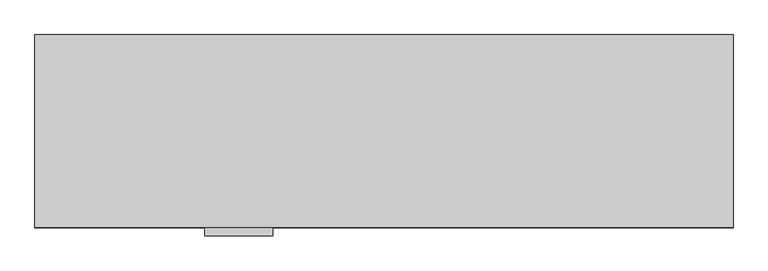
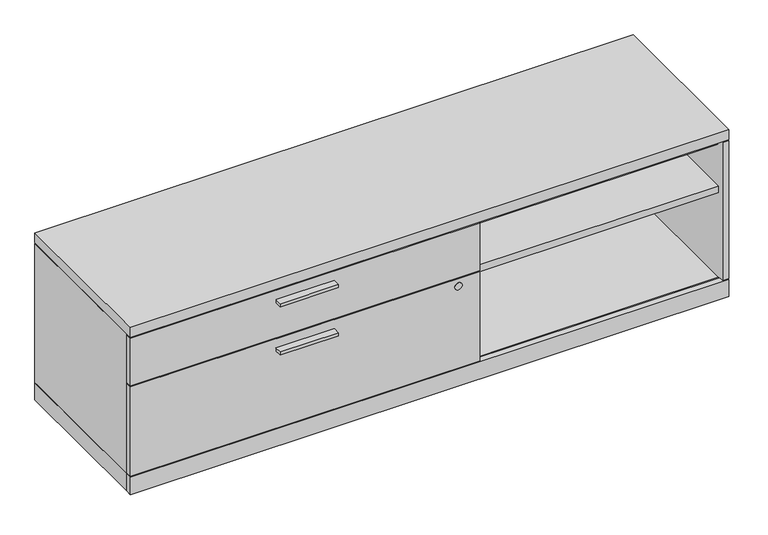
"""IFC4 building model written with IfcOpenShell, lengths in millimetres: furniture geometry."""

from ifc_helpers import new_model, si_unit, point, frame, frame_2d, origin, origin_with_axes, place, context, project, spatial, polyline, circle_curve, trimmed, segment, composite_curve, outline, extrude, faceted_brep, source, transform, mapped, element, save


def furniture_b8fcafae(model_context):
    return source(origin(), model_context, "Body", "SolidModel", [
        extrude(outline(polyline([(623.09375, -528.574), (445.29375, -528.574), (445.29375, -506.349), (623.09375, -506.349), (623.09375, -528.574)])), frame((0.0, 0.0, 312.1914), z_axis=(0.0, 0.0, 1.0), x_axis=(1.0, 0.0, 0.0)), (0.0, 0.0, 1.0), 9.525),
        extrude(outline(polyline([(623.09375, -528.574), (445.29375, -528.574), (445.29375, -506.349), (623.09375, -506.349), (623.09375, -528.574)])), frame((0.0, 0.0, 468.1474), z_axis=(0.0, 0.0, 1.0), x_axis=(1.0, 0.0, 0.0)), (0.0, 0.0, 1.0), 9.525),
        extrude(outline(polyline([(1827.2125, -1.524), (1827.2125, -483.2858), (1.5875, -483.2858), (1.5875, -1.524), (1827.2125, -1.524)])), frame((0.0, 0.0, 3.5814), z_axis=(0.0, 0.0, 1.0), x_axis=(1.0, 0.0, 0.0)), (0.0, 0.0, 1.0), 55.1688),
        extrude(outline(polyline([(1827.2125, -487.045), (1827.2125, -506.349), (1.5875, -506.349), (1.5875, -487.045), (1827.2125, -487.045)])), frame((0.0, 0.0, 3.5814), z_axis=(0.0, 0.0, 1.0), x_axis=(1.0, 0.0, 0.0)), (0.0, 0.0, 1.0), 55.1688),
        extrude(outline(polyline([(1069.0098, -20.828), (1807.9085, -20.828), (1807.9085, -483.2858), (1069.0098, -483.2858), (1069.0098, -20.828)])), frame((0.0, 0.0, 331.4446), z_axis=(0.0, 0.0, 1.0), x_axis=(1.0, 0.0, 0.0)), (0.0, 0.0, 1.0), 22.225),
        extrude(outline(polyline([(1044.575, -20.828), (1069.0098, -20.828), (1069.0098, -483.2858), (1044.575, -483.2858), (1044.575, -20.828)])), frame((0.0, 0.0, 58.7502), z_axis=(0.0, 0.0, 1.0), x_axis=(1.0, 0.0, 0.0)), (0.0, 0.0, 1.0), 429.3362),
        extrude(outline(composite_curve([segment(trimmed(circle_curve(frame_2d((326.0344, 1002.13668)), 11.176), [point((326.0344, 1013.31268))], [point((326.0344, 990.96068))], False, "CARTESIAN"), True, "CONTINUOUS"), segment(trimmed(circle_curve(frame_2d((326.0344, 1002.13668)), 11.176), [point((326.0344, 990.96068))], [point((326.0344, 1013.31268))], False, "CARTESIAN"), True, "CONTINUOUS")], self_intersect=False)), frame((0.0, -506.603, 0.0), z_axis=(0.0, 1.0, 0.0), x_axis=(0.0, 0.0, 1.0)), (0.0, 0.0, 1.0), 4.69392),
        extrude(outline(polyline([(1066.8, -487.045), (1066.8, -506.349), (1.5875, -506.349), (1.5875, -487.045), (1066.8, -487.045)])), frame((0.0, 0.0, 61.9252), z_axis=(0.0, 0.0, 1.0), x_axis=(1.0, 0.0, 0.0)), (0.0, 0.0, 1.0), 289.5092),
        extrude(outline(polyline([(1066.8, -487.045), (1066.8, -506.349), (1.5875, -506.349), (1.5875, -487.045), (1066.8, -487.045)])), frame((0.0, 0.0, 354.6094), z_axis=(0.0, 0.0, 1.0), x_axis=(1.0, 0.0, 0.0)), (0.0, 0.0, 1.0), 152.781),
        extrude(outline(polyline([(46.1772, -27.7114), (61.8363, -36.7521856), (61.8363, -54.8337568), (46.1772, -63.8745424), (30.5181, -54.8337568), (30.5181, -36.7521856), (46.1772, -27.7114)])), origin_with_axes(), (0.0, 0.0, 1.0), 8.4328),
        extrude(outline(polyline([(46.1772, -480.1616), (30.5181, -471.1208144), (30.5181, -453.0392432), (46.1772, -443.9984576), (61.8363, -453.0392432), (61.8363, -471.1208144), (46.1772, -480.1616)])), origin_with_axes(), (0.0, 0.0, 1.0), 8.4328),
        extrude(outline(polyline([(1782.6228, -27.7114), (1798.2819, -36.7521856), (1798.2819, -54.8337568), (1782.6228, -63.8745424), (1766.9637, -54.8337568), (1766.9637, -36.7521856), (1782.6228, -27.7114)])), origin_with_axes(), (0.0, 0.0, 1.0), 8.4328),
        extrude(outline(polyline([(1782.6228, -480.1616), (1766.9637, -471.1208144), (1766.9637, -453.0392432), (1782.6228, -443.9984576), (1798.2819, -453.0392432), (1798.2819, -471.1208144), (1782.6228, -480.1616)])), origin_with_axes(), (0.0, 0.0, 1.0), 8.4328),
        extrude(outline(polyline([(1827.2125, -506.349), (1.5875, -506.349), (1.5875, -1.524), (1827.2125, -1.524), (1827.2125, -506.349)])), frame((0.0, 0.0, 510.5654), z_axis=(0.0, 0.0, 1.0), x_axis=(1.0, 0.0, 0.0)), (0.0, 0.0, 1.0), 31.72968),
        faceted_brep([(1827.2125, -506.349, 507.3904), (1807.9085, -506.349, 507.3904), (1807.9085, -506.349, 61.9252), (1827.2125, -506.349, 61.9252), (1827.2125, -1.524, 507.3904), (1827.2125, -1.524, 58.7502), (1.5875, -1.524, 58.7502), (1.5875, -1.524, 507.3904), (1.5875, -483.2858, 507.3904), (1807.9085, -483.2858, 507.3904), (1.5875, -483.2858, 58.7502), (1.5875, -483.2858, 61.9252), (1827.2125, -483.2858, 61.9252), (1827.2125, -483.2858, 58.7502), (1807.9085, -20.828, 488.0864), (20.8915, -20.828, 488.0864), (20.8915, -20.828, 58.7502), (1807.9085, -20.828, 58.7502), (1807.9085, -483.2858, 488.0864), (20.8915, -483.2858, 488.0864), (20.8915, -483.2858, 61.9252), (20.8915, -483.2858, 58.7502), (1807.9085, -483.2858, 58.7502), (1807.9085, -483.2858, 61.9252)], [[[0, 1, 2, 3]], [[4, 5, 6, 7]], [[4, 7, 8, 9, 1, 0]], [[7, 6, 10, 11, 8]], [[5, 4, 0, 3, 12, 13]], [[14, 15, 16, 17]], [[15, 14, 18, 19]], [[16, 15, 19, 20, 21]], [[14, 17, 22, 23, 2, 1, 9, 18]], [[18, 9, 8, 11, 10, 21, 20, 19]], [[12, 23, 22, 13]], [[23, 12, 3, 2]], [[6, 5, 13, 22, 17, 16, 21, 10]]]),
    ])


if __name__ == "__main__":
    model = new_model("IFC4")
    model_context = context("Model", 3, world=origin())
    ifc_project = project(units=[si_unit("LENGTHUNIT", "METRE", prefix="MILLI")], contexts=[model_context])
    site = spatial("IfcSite", under=ifc_project)
    building = spatial("IfcBuilding", under=site)
    placement = place(None, origin())
    furniture_shape = furniture_b8fcafae(model_context)
    element("IfcFurniture", 1, at=placement, inside=building, context=model_context, shape_type="MappedRepresentation", body=[
        mapped(furniture_shape, transform((0.0, 0.0, 0.0), x_axis=(1.0, 0.0, 0.0), y_axis=(0.0, 1.0, 0.0), z_axis=(0.0, 0.0, 1.0))),
    ])
    save(model, "model.ifc")
